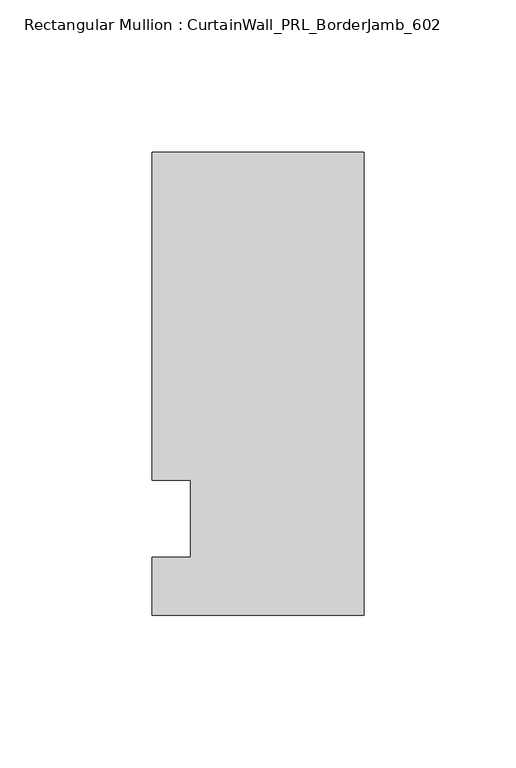
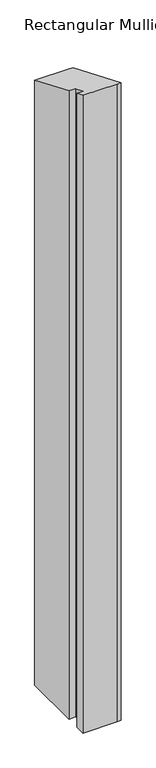
"""IFC4 building model written with IfcOpenShell, lengths in millimetres: member geometry, Rectangular Mullion : CurtainWall_PRL_BorderJamb_602."""

from ifc_helpers import new_model, si_unit, origin, place, context, project, spatial, faceted_brep, source, transform, mapped, element, save


def rectangular_mullion_curtainwall_prl_borderjamb_602_d68da27f(model_context):
    return source(origin(), model_context, "Body", "Brep", [
        faceted_brep([(-57.15, 12.7, -1219.2), (-69.85, 12.7, -1219.2), (-69.85, 120.65, -1219.2), (-6.35, 120.65, -1219.2), (0.0, 120.65, -1219.2), (0.0, -31.75, -1219.2), (-7.3958824, -31.75, -1219.2), (-69.85, -31.75, -1219.2), (-69.85, -12.7, -1219.2), (-57.15, -12.7, -1219.2), (-57.15, -12.7, 5.2605122), (-57.15, 12.7, -5.2605122), (-69.85, -12.7, 5.2605122), (-69.85, -31.75, 13.1512806), (-7.3958824, -31.75, 13.1512806), (0.0, -31.75, 13.1512806), (0.0, 120.65, -49.9748663), (-6.35, 120.65, -49.9748663), (-69.85, 120.65, -49.9748663), (-69.85, 12.7, -5.2605122)], [[[0, 1, 2, 3, 4, 5, 6, 7, 8, 9]], [[10, 11, 0, 9]], [[12, 10, 9, 8]], [[13, 12, 8, 7]], [[14, 13, 7, 6]], [[15, 14, 6, 5]], [[16, 15, 5, 4]], [[17, 16, 4, 3]], [[18, 17, 3, 2]], [[19, 18, 2, 1]], [[11, 19, 1, 0]], [[11, 10, 12, 13, 14, 15, 16, 17, 18, 19]]]),
    ])


if __name__ == "__main__":
    model = new_model("IFC4")
    model_context = context("Model", 3, world=origin())
    ifc_project = project(units=[si_unit("LENGTHUNIT", "METRE", prefix="MILLI")], contexts=[model_context])
    site = spatial("IfcSite", under=ifc_project)
    building = spatial("IfcBuilding", under=site)
    placement = place(None, origin())
    rectangular_mullion_curtainwall_prl_borderjamb_602_shape = rectangular_mullion_curtainwall_prl_borderjamb_602_d68da27f(model_context)
    element("IfcMember", 1, ObjectType="Rectangular Mullion : CurtainWall_PRL_BorderJamb_602", at=placement, inside=building, context=model_context, shape_type="MappedRepresentation", body=[
        mapped(rectangular_mullion_curtainwall_prl_borderjamb_602_shape, transform((0.0, 0.0, 0.0), x_axis=(1.0, 0.0, 0.0), y_axis=(0.0, 1.0, 0.0), z_axis=(0.0, 0.0, 1.0))),
    ])
    save(model, "model.ifc")
